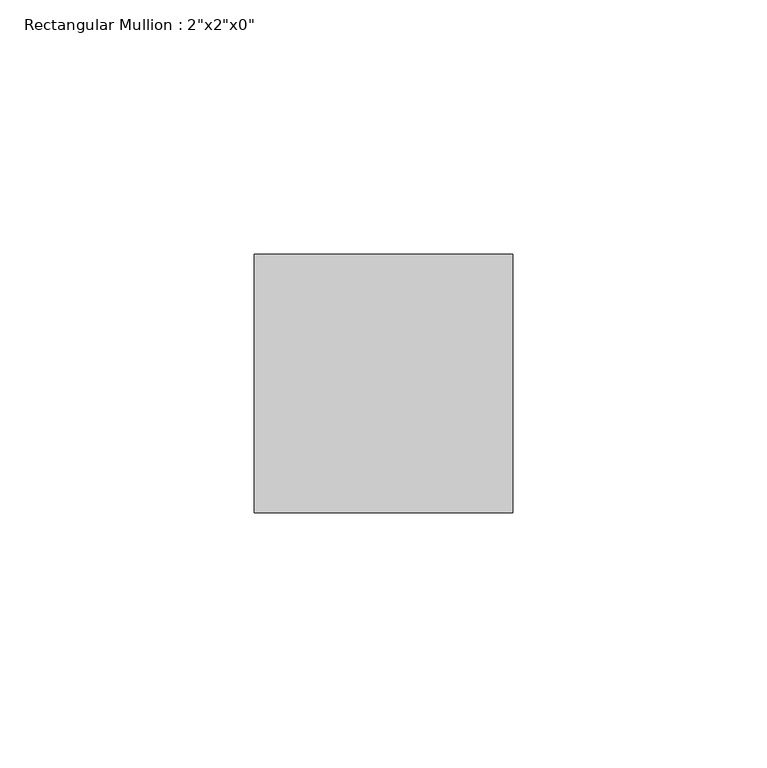
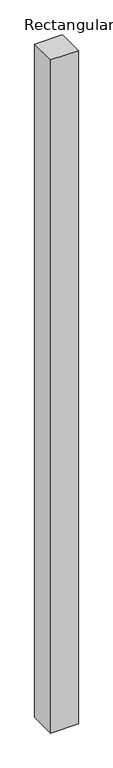
"""IFC4 building model written with IfcOpenShell, lengths in millimetres: member geometry."""

from ifc_helpers import new_model, si_unit, frame, origin, place, context, project, spatial, polyline, outline, extrude, source, transform, mapped, element, save


def member_a8bfb8c6(model_context):
    return source(origin(), model_context, "Body", "SweptSolid", [
        extrude(outline(polyline([(25.4, 25.4), (25.4, -25.4), (-25.4, -25.4), (-25.4, 25.4), (25.4, 25.4)])), frame((0.0, 0.0, -1307.6515356), z_axis=(0.0, 0.0, 1.0), x_axis=(1.0, 0.0, 0.0)), (0.0, 0.0, 1.0), 1307.6515356),
    ])


if __name__ == "__main__":
    model = new_model("IFC4")
    model_context = context("Model", 3, world=origin())
    ifc_project = project(units=[si_unit("LENGTHUNIT", "METRE", prefix="MILLI")], contexts=[model_context])
    site = spatial("IfcSite", under=ifc_project)
    building = spatial("IfcBuilding", under=site)
    placement = place(None, origin())
    member_shape = member_a8bfb8c6(model_context)
    element("IfcMember", 1, ObjectType="Rectangular Mullion : 2\"x2\"x0\"", at=placement, inside=building, context=model_context, shape_type="MappedRepresentation", body=[
        mapped(member_shape, transform((0.0, 0.0, 0.0), x_axis=(1.0, 0.0, 0.0), y_axis=(0.0, 1.0, 0.0), z_axis=(0.0, 0.0, 1.0))),
    ])
    save(model, "model.ifc")
